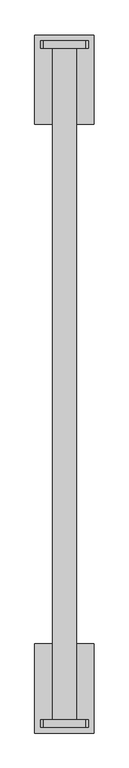
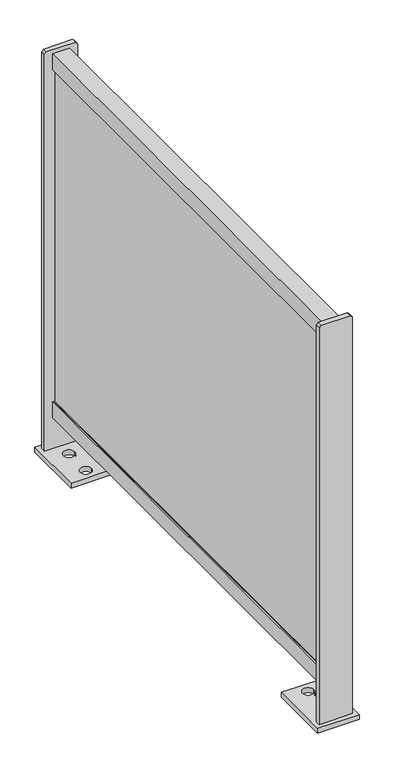
"""IFC4 building model written with IfcOpenShell, lengths in millimetres: railing geometry."""

from ifc_helpers import new_model, si_unit, point, frame, frame_2d, origin, origin_with_axes, place, context, project, spatial, polyline, circle_curve, trimmed, segment, composite_curve, outline, extrude, source, transform, mapped, element, save


def railing_0eb7dd3e(model_context):
    return source(origin(), model_context, "Body", "SweptSolid", [
        extrude(outline(polyline([(1010.0, 14780.6479588), (1010.0, 14740.6479588), (970.0, 14740.6479588), (970.0, 14743.1479588), (990.0, 14743.1479588), (990.0, 14759.1479588), (970.0, 14759.1479588), (970.0, 14780.6479588), (1010.0, 14780.6479588)])), frame((0.0, -14618.4105687, 0.0), z_axis=(0.0, 1.0, 0.0), x_axis=(0.0, 0.0, 1.0)), (0.0, 0.0, 1.0), 1140.0),
        extrude(outline(polyline([(14746.6479588, -13478.4105687), (14754.6479588, -13478.4105687), (14754.6479588, -14618.4105687), (14746.6479588, -14618.4105687), (14746.6479588, -13478.4105687)])), frame((0.0, 0.0, 130.0), z_axis=(0.0, 0.0, 1.0), x_axis=(1.0, 0.0, 0.0)), (0.0, 0.0, 1.0), 840.0),
        extrude(outline(polyline([(90.0, 14780.6479588), (130.0, 14780.6479588), (130.0, 14759.1479588), (110.0, 14759.1479588), (110.0, 14743.1479588), (130.0, 14743.1479588), (130.0, 14740.6479588), (90.0, 14740.6479588), (90.0, 14780.6479588)])), frame((0.0, -14618.4105687, 0.0), z_axis=(0.0, 1.0, 0.0), x_axis=(0.0, 0.0, 1.0)), (0.0, 0.0, 1.0), 1140.0),
        extrude(outline(polyline([(12.0, 14720.6479588), (12.0, 14800.6479588), (1015.0, 14800.6479588), (1020.0, 14795.6479588), (1020.0, 14725.6479588), (1015.0, 14720.6479588), (12.0, 14720.6479588)])), frame((0.0, -14624.4105687, 0.0), z_axis=(0.0, 1.0, 0.0), x_axis=(0.0, 0.0, 1.0)), (0.0, 0.0, 1.0), 12.0),
        extrude(outline(polyline([(14810.6479588, -14484.4105687), (14810.6479588, -14634.4105687), (14710.6479588, -14634.4105687), (14710.6479588, -14484.4105687), (14810.6479588, -14484.4105687)]), holes=[composite_curve([segment(trimmed(circle_curve(frame_2d((14760.6479588, -14509.4105687)), 13.5), [point((14747.1479588, -14509.4105687))], [point((14774.1479588, -14509.4105687))], True, "CARTESIAN"), True, "CONTINUOUS"), segment(trimmed(circle_curve(frame_2d((14760.6479588, -14509.4105687)), 13.5), [point((14774.1479588, -14509.4105687))], [point((14747.1479588, -14509.4105687))], True, "CARTESIAN"), True, "CONTINUOUS")], self_intersect=False), composite_curve([segment(trimmed(circle_curve(frame_2d((14760.6479588, -14579.4105687)), 13.5), [point((14747.1479588, -14579.4105687))], [point((14774.1479588, -14579.4105687))], True, "CARTESIAN"), True, "CONTINUOUS"), segment(trimmed(circle_curve(frame_2d((14760.6479588, -14579.4105687)), 13.5), [point((14774.1479588, -14579.4105687))], [point((14747.1479588, -14579.4105687))], True, "CARTESIAN"), True, "CONTINUOUS")], self_intersect=False)]), origin_with_axes(), (0.0, 0.0, 1.0), 12.0),
        extrude(outline(polyline([(12.0, 14720.6479588), (12.0, 14800.6479588), (1015.0, 14800.6479588), (1020.0, 14795.6479588), (1020.0, 14725.6479588), (1015.0, 14720.6479588), (12.0, 14720.6479588)])), frame((0.0, -13484.4105687, 0.0), z_axis=(0.0, 1.0, 0.0), x_axis=(0.0, 0.0, 1.0)), (0.0, 0.0, 1.0), 12.0),
        extrude(outline(polyline([(14810.6479588, -13462.4105687), (14810.6479588, -13612.4105687), (14710.6479588, -13612.4105687), (14710.6479588, -13462.4105687), (14810.6479588, -13462.4105687)]), holes=[composite_curve([segment(trimmed(circle_curve(frame_2d((14760.6479588, -13517.4105687)), 13.5), [point((14747.1479588, -13517.4105687))], [point((14774.1479588, -13517.4105687))], True, "CARTESIAN"), True, "CONTINUOUS"), segment(trimmed(circle_curve(frame_2d((14760.6479588, -13517.4105687)), 13.5), [point((14774.1479588, -13517.4105687))], [point((14747.1479588, -13517.4105687))], True, "CARTESIAN"), True, "CONTINUOUS")], self_intersect=False), composite_curve([segment(trimmed(circle_curve(frame_2d((14760.6479588, -13587.4105687)), 13.5), [point((14747.1479588, -13587.4105687))], [point((14774.1479588, -13587.4105687))], True, "CARTESIAN"), True, "CONTINUOUS"), segment(trimmed(circle_curve(frame_2d((14760.6479588, -13587.4105687)), 13.5), [point((14774.1479588, -13587.4105687))], [point((14747.1479588, -13587.4105687))], True, "CARTESIAN"), True, "CONTINUOUS")], self_intersect=False)]), origin_with_axes(), (0.0, 0.0, 1.0), 12.0),
    ])


if __name__ == "__main__":
    model = new_model("IFC4")
    model_context = context("Model", 3, world=origin())
    ifc_project = project(units=[si_unit("LENGTHUNIT", "METRE", prefix="MILLI")], contexts=[model_context])
    site = spatial("IfcSite", under=ifc_project)
    building = spatial("IfcBuilding", under=site)
    placement = place(None, origin())
    railing_shape = railing_0eb7dd3e(model_context)
    element("IfcRailing", 1, at=placement, inside=building, context=model_context, shape_type="MappedRepresentation", body=[
        mapped(railing_shape, transform((0.0, 0.0, 0.0), x_axis=(1.0, 0.0, 0.0), y_axis=(0.0, 1.0, 0.0), z_axis=(0.0, 0.0, 1.0))),
    ])
    save(model, "model.ifc")
